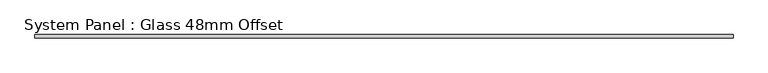
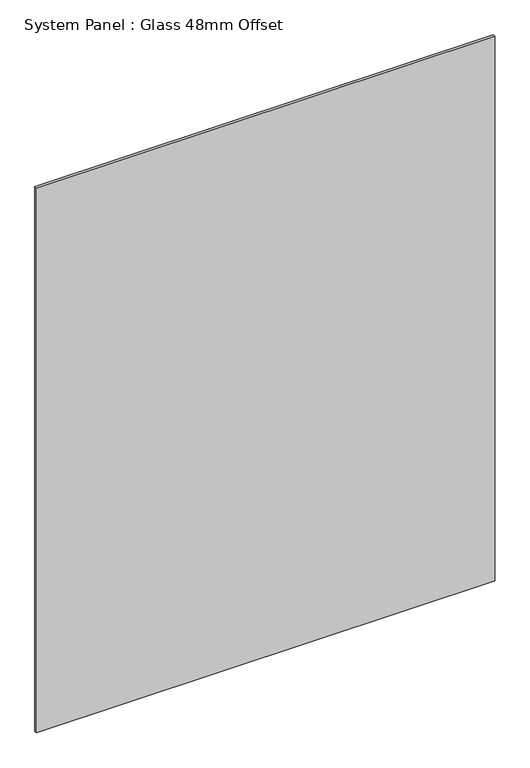
"""IFC4 building model written with IfcOpenShell, lengths in millimetres: plate geometry, System Panel : Glass 48mm Offset."""

import ifcopenshell
import ifcopenshell.guid

model = None  # the IFC model being written
_history = None  # IfcOwnerHistory: only IFC2X3 demands one
_inside = {}  # id of a spatial element -> (the spatial element, [elements in it])
_under = {}  # id of a project, library or spatial element -> (it, [spatial elements below it])
_declared = {}  # id of a project -> (the project, [libraries it declares])
_typed = {}  # id of a type object -> (the type object, [elements of that type])
_made_of = {}  # id of a material, layer set ... -> (it, [elements and type objects made of it])


def new_model(schema):
    """Start an empty IFC model of exactly this schema.

    Asked for "IFC4X3", IfcOpenShell would pick the latest addendum, in which some entities
    have other attributes; the version numbers below select the first issue.
    IFC2X3 requires an IfcOwnerHistory on every rooted entity: one is made here for all.
    """
    global model, _history
    if schema == "IFC4X3":
        model = ifcopenshell.file(schema_version=(4, 3, 0, 0))
    else:
        model = ifcopenshell.file(schema=schema)
    _inside.clear()
    _under.clear()
    _declared.clear()
    _typed.clear()
    _made_of.clear()
    _history = None
    if model.schema == "IFC2X3":
        org = make("IfcOrganization", Name="unknown")
        user = make(
            "IfcPersonAndOrganization",
            ThePerson=make("IfcPerson", FamilyName="unknown"),
            TheOrganization=org,
        )
        app = make(
            "IfcApplication",
            ApplicationDeveloper=org,
            Version="unknown",
            ApplicationFullName="unknown",
            ApplicationIdentifier="unknown",
        )
        _history = make(
            "IfcOwnerHistory",
            OwningUser=user,
            OwningApplication=app,
            ChangeAction="ADDED",
            CreationDate=0,
        )
    return model


def make(cls, **values):
    """One entity of the class cls with the attributes given. An attribute that is None is left unset."""
    return model.create_entity(
        cls, **{name: value for name, value in values.items() if value is not None}
    )


def rooted(cls, **values):
    """An entity with a GlobalId (a new one), such as an element, a storey or a relation."""
    return make(cls, GlobalId=ifcopenshell.guid.new(), OwnerHistory=_history, **values)


def si_unit(unit_type, name, prefix=None):
    """IfcSIUnit, for example si_unit("LENGTHUNIT", "METRE", prefix="MILLI")."""
    return make("IfcSIUnit", UnitType=unit_type, Prefix=prefix, Name=name)


def assignment(units):
    """IfcUnitAssignment: the units of a project."""
    return None if units is None else make("IfcUnitAssignment", Units=units)


def point(xyz):
    """IfcCartesianPoint."""
    return None if xyz is None else make("IfcCartesianPoint", Coordinates=xyz)


def direction(xyz):
    """IfcDirection."""
    return None if xyz is None else make("IfcDirection", DirectionRatios=xyz)


def frame(location, z_axis=None, x_axis=None):
    """IfcAxis2Placement3D, a coordinate frame: its origin and axes. An axis left out is left unset."""
    return make(
        "IfcAxis2Placement3D",
        Location=point(location),
        Axis=direction(z_axis),
        RefDirection=direction(x_axis),
    )


def origin():
    """The frame at (0, 0, 0) with its axes left unset."""
    return frame((0.0, 0.0, 0.0))


def origin_with_axes():
    """The frame at (0, 0, 0) with the z axis (0, 0, 1) and the x axis (1, 0, 0) written out."""
    return frame((0.0, 0.0, 0.0), z_axis=(0.0, 0.0, 1.0), x_axis=(1.0, 0.0, 0.0))


def place(relative_to, where):
    """IfcLocalPlacement: puts the frame where relative to a parent placement (None: the world)."""
    return make(
        "IfcLocalPlacement", PlacementRelTo=relative_to, RelativePlacement=where
    )


def context(
    kind, dimensions, precision=None, world=None, true_north=None, identifier=None
):
    """IfcGeometricRepresentationContext, for example the 3D "Model" context."""
    return make(
        "IfcGeometricRepresentationContext",
        ContextIdentifier=identifier,
        ContextType=kind,
        CoordinateSpaceDimension=dimensions,
        Precision=precision,
        WorldCoordinateSystem=world,
        TrueNorth=true_north,
    )


def project(units=None, contexts=None):
    """IfcProject with its units and contexts."""
    return rooted(
        "IfcProject",
        Name="project",
        RepresentationContexts=contexts,
        UnitsInContext=assignment(units),
    )


def spatial(cls, under=None, at=None, **own):
    """A site, building, storey or space (cls), placed at a placement, below another one or the project."""
    s = rooted(cls, ObjectPlacement=at, **own)
    if under is not None:
        _under.setdefault(under.id(), (under, []))[1].append(s)
    return s


def polyline(points):
    """IfcPolyline through the points."""
    return make("IfcPolyline", Points=[point(p) for p in points])


def outline(outer, holes=None, kind="AREA"):
    """IfcArbitraryClosedProfileDef: a profile drawn as a closed curve; with holes, ...WithVoids."""
    if holes is None:
        return make("IfcArbitraryClosedProfileDef", ProfileType=kind, OuterCurve=outer)
    return make(
        "IfcArbitraryProfileDefWithVoids",
        ProfileType=kind,
        OuterCurve=outer,
        InnerCurves=holes,
    )


def extrude(swept, where, along, depth):
    """IfcExtrudedAreaSolid: the profile swept, set in the frame where, extruded along a direction by depth."""
    return make(
        "IfcExtrudedAreaSolid",
        SweptArea=swept,
        Position=where,
        ExtrudedDirection=direction(along),
        Depth=depth,
    )


def shape(context_of_items, identifier, shape_type, items):
    """IfcShapeRepresentation: the items that make up one representation, for example the "Body"."""
    return make(
        "IfcShapeRepresentation",
        ContextOfItems=context_of_items,
        RepresentationIdentifier=identifier,
        RepresentationType=shape_type,
        Items=items,
    )


def source(mapping_origin, context_of_items, identifier, shape_type, items):
    """IfcRepresentationMap: a shape defined once, which mapped items show again and again."""
    return make(
        "IfcRepresentationMap",
        MappingOrigin=mapping_origin,
        MappedRepresentation=shape(context_of_items, identifier, shape_type, items),
    )


def transform(
    local_origin,
    x_axis=None,
    y_axis=None,
    z_axis=None,
    scale=None,
    scale2=None,
    scale3=None,
    uniform=True,
):
    """IfcCartesianTransformationOperator3D, or its non-uniform kind. x_axis, y_axis, z_axis: its Axis1, 2, 3."""
    if uniform:
        return make(
            "IfcCartesianTransformationOperator3D",
            Axis1=direction(x_axis),
            Axis2=direction(y_axis),
            LocalOrigin=point(local_origin),
            Scale=scale,
            Axis3=direction(z_axis),
        )
    return make(
        "IfcCartesianTransformationOperator3DnonUniform",
        Axis1=direction(x_axis),
        Axis2=direction(y_axis),
        LocalOrigin=point(local_origin),
        Scale=scale,
        Axis3=direction(z_axis),
        Scale2=scale2,
        Scale3=scale3,
    )


def mapped(mapping_source, mapping_target):
    """IfcMappedItem: shows the shape of a source again, moved by a transform."""
    return make(
        "IfcMappedItem", MappingSource=mapping_source, MappingTarget=mapping_target
    )


def made_of(thing, what):
    """Note that an element or type object is made of a material, layer set ...; save() writes the relation."""
    if what is not None:
        _made_of.setdefault(what.id(), (what, []))[1].append(thing)
    return thing


def element(
    cls,
    number,
    at=None,
    inside=None,
    cuts=None,
    type_object=None,
    material=None,
    context=None,
    identifier="Body",
    shape_type=None,
    held_by="IfcProductDefinitionShape",
    body=None,
    shapes=None,
    **own,
):
    """One element of the class cls, such as IfcWall. Its Tag is "e" and its number.

    at: its placement. inside: the storey or other place that contains it. cuts: it is an
    opening in that element (IfcRelVoidsElement). A single representation is given by context,
    identifier, shape_type and body (its items); several are given by shapes. held_by: the class
    of the entity that holds the representations. save() writes the other relations.
    """
    e = rooted(cls, Tag="e%d" % number, ObjectPlacement=at, **own)
    if body is not None:
        shapes = [shape(context, identifier, shape_type, body)]
    if shapes is not None:
        e.Representation = make(held_by, Representations=shapes)
    if inside is not None:
        _inside.setdefault(inside.id(), (inside, []))[1].append(e)
    if cuts is not None:
        rooted(
            "IfcRelVoidsElement", RelatingBuildingElement=cuts, RelatedOpeningElement=e
        )
    if type_object is not None:
        _typed.setdefault(type_object.id(), (type_object, []))[1].append(e)
    return made_of(e, material)


def aggregate(whole, parts):
    """IfcRelAggregates: a whole, such as a stair, and the parts it consists of."""
    return rooted("IfcRelAggregates", RelatingObject=whole, RelatedObjects=parts)


def save(model, path):
    """Write the relations noted so far, then the file.

    IfcRelAggregates (storeys below a building ...), IfcRelContainedInSpatialStructure (elements
    in a storey), IfcRelDefinesByType, IfcRelAssociatesMaterial and IfcRelDeclares: one each for
    every whole, place, type object, material and project.
    """
    for whole, parts in _under.values():
        aggregate(whole, parts)
    for where, things in _inside.values():
        rooted(
            "IfcRelContainedInSpatialStructure",
            RelatedElements=things,
            RelatingStructure=where,
        )
    for kind, things in _typed.values():
        rooted("IfcRelDefinesByType", RelatedObjects=things, RelatingType=kind)
    for what, things in _made_of.values():
        rooted("IfcRelAssociatesMaterial", RelatedObjects=things, RelatingMaterial=what)
    for by, libraries in _declared.values():
        rooted("IfcRelDeclares", RelatingContext=by, RelatedDefinitions=libraries)
    model.write(path)


def system_panel_glass_48mm_offset_2e1fec30(model_context):
    return source(origin(), model_context, "Body", "SweptSolid", [
        extrude(outline(polyline([(1012.5, -53.0), (-1012.5, -53.0), (-1012.5, -43.0), (1012.5, -43.0), (1012.5, -53.0)])), origin_with_axes(), (0.0, 0.0, 1.0), 2545.0),
    ])


if __name__ == "__main__":
    model = new_model("IFC4")
    model_context = context("Model", 3, world=origin())
    ifc_project = project(units=[si_unit("LENGTHUNIT", "METRE", prefix="MILLI")], contexts=[model_context])
    site = spatial("IfcSite", under=ifc_project)
    building = spatial("IfcBuilding", under=site)
    placement = place(None, origin())
    system_panel_glass_48mm_offset_shape = system_panel_glass_48mm_offset_2e1fec30(model_context)
    element("IfcPlate", 1, ObjectType="System Panel : Glass 48mm Offset", at=placement, inside=building, context=model_context, shape_type="MappedRepresentation", body=[
        mapped(system_panel_glass_48mm_offset_shape, transform((0.0, 0.0, 0.0), x_axis=(1.0, 0.0, 0.0), y_axis=(0.0, 1.0, 0.0), z_axis=(0.0, 0.0, 1.0))),
    ])
    save(model, "model.ifc")
